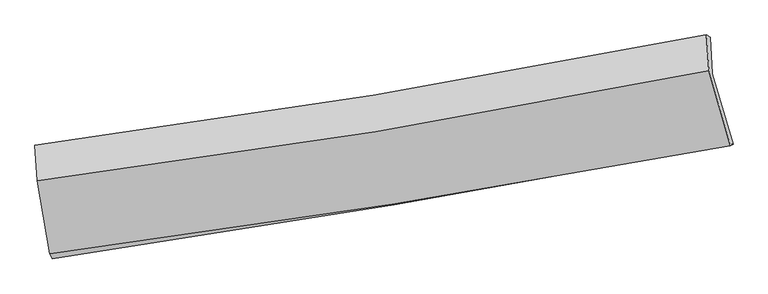
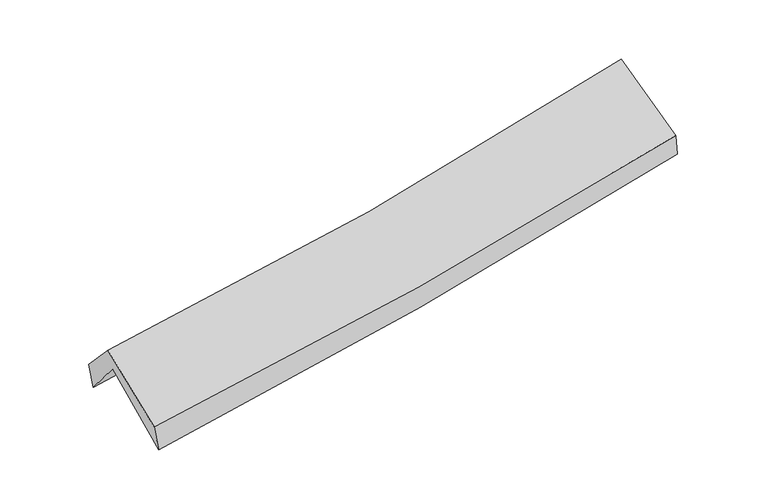
"""IFC4 building model written with IfcOpenShell, lengths in millimetres: proxy geometry."""

from ifc_helpers import new_model, si_unit, frame, origin, place, context, project, spatial, source, transform, mapped, element, save
from ifc_brep_helpers import plane_surface, spline_curve, spline_surface, advanced_brep


def generic_models_f9d31334(model_context):
    return source(origin(), model_context, "Body", "AdvancedBrep", [
        advanced_brep(
        [(-2317.3537515, -2475.6046019, 1481.26095), (-2408.75374, -1971.967616, 1925.3101237), (2332.1321185, -1171.4528945, 2359.1081574), (2480.5548689, -1669.8202298, 1929.6450218), (-2422.2286386, -1714.8815016, 1610.7393642), (2319.4389783, -914.0846775, 2040.2824771), (-2438.5855131, -1674.3028402, 1793.2026353), (2293.1520929, -898.0270046, 2235.8960062), (-2423.3640454, -1925.3696886, 2066.7724577), (2310.124379, -1152.2013323, 2513.2625223), (-2333.6405156, -2438.7092369, 1670.2365601), (2461.8785512, -1679.6528858, 2103.793421)],
        [
            (0, 1),
            (1, 2, spline_curve(3, [(-2408.75374, -1971.967616, 1925.3101237), (-1610.47221158, -1860.030192604, 1972.91229677), (-815.333173295, -1737.16887002, 2032.977812616), (764.932604088, -1470.228050555, 2177.694191813), (1550.088851742, -1326.25113273, 2262.228020694), (2332.1321185, -1171.4528945, 2359.1081574)], [4, 2, 4], [0.0, 7.987333830771779, 15.937077422452498])),
            (2, 3),
            (3, 0, spline_curve(3, [(2480.5548689, -1669.8202298, 1929.6450218), (1686.866522793, -1818.424719186, 1832.327909948), (891.144494689, -1959.734526788, 1746.365302326), (-708.139100773, -2228.398466251, 1596.796312016), (-1511.719946187, -2355.683449357, 1533.297562483), (-2317.3537515, -2475.6046019, 1481.26095)], [4, 2, 4], [0.0, 7.949743591680719, 15.937077422452498])),
            (1, 4),
            (4, 5, spline_curve(3, [(-2422.2286386, -1714.8815016, 1610.7393642), (-1623.975979523, -1602.969447183, 1659.054560819), (-828.785887425, -1480.097159578, 1719.119496078), (751.741226213, -1213.061964997, 1862.410867468), (1537.107006616, -1069.001977853, 1945.526969817), (2319.4389783, -914.0846775, 2040.2824771)], [4, 2, 4], [0.0, 7.940160617194444, 15.842953003343897])),
            (5, 2),
            (4, 6),
            (6, 7, spline_curve(3, [(-2438.5855131, -1674.3028402, 1793.2026353), (-1640.674853755, -1570.784166411, 1837.407796922), (-846.486767779, -1454.151736913, 1896.523592272), (730.724144778, -1195.26998302, 2044.228064644), (1513.781927315, -1053.143800291, 2132.676726367), (2293.1520929, -898.0270046, 2235.8960062)], [4, 2, 4], [0.0, 7.930595849751248, 15.823868482463764])),
            (7, 5),
            (6, 8),
            (8, 9, spline_curve(3, [(-2423.3640454, -1925.3696886, 2066.7724577), (-1625.113255699, -1823.525226552, 2112.84778865), (-830.608914844, -1707.98810826, 2173.214348264), (747.18537944, -1450.136744727, 2322.178569126), (1530.510513405, -1307.951077444, 2410.64203072), (2310.124379, -1152.2013323, 2513.2625223)], [4, 2, 4], [0.0, 7.922103982543703, 15.806924712738446])),
            (9, 7),
            (8, 10),
            (10, 11, spline_curve(3, [(-2333.6405156, -2438.7092369, 1670.2365601), (-1527.745611908, -2333.169433785, 1718.862559434), (-724.23459525, -2216.970557429, 1779.41858843), (874.249374816, -1963.851681601, 1924.049568627), (1669.24471387, -1827.03177428, 2008.012493534), (2461.8785512, -1679.6528858, 2103.793421)], [4, 2, 4], [0.0, 7.970131222930508, 15.902753166218435])),
            (11, 9),
            (10, 0),
            (3, 11),
        ],
        [
            spline_surface(3, 3, [[(-2317.3537515, -2475.6046019, 1481.26095), (-1511.719946216, -2355.683449406, 1533.297562431), (-708.139100803, -2228.3984662, 1596.796312002), (891.144494719, -1959.734526839, 1746.365302339), (1686.866522788, -1818.424719308, 1832.32791002), (2480.5548689, -1669.8202298, 1929.6450218)], [(-2347.820414355, -2307.725606628, 1629.277341236), (-1544.637367998, -2190.465697133, 1679.835807216), (-743.870458297, -2064.65526745, 1742.190145498), (849.073864458, -1796.565701426, 1890.141598815), (1641.273965815, -1654.366857096, 1975.627946885), (2431.080618776, -1503.6977847, 2072.79940034)], [(-2378.287077145, -2139.846611272, 1777.293732464), (-1577.554789716, -2025.247944776, 1826.374051992), (-779.60181572, -1900.912068712, 1887.58397908), (807.003234269, -1633.396876026, 2033.917895377), (1595.681408814, -1490.308994884, 2118.92798373), (2381.606368624, -1337.5753396, 2215.95377886)], [(-2408.75374, -1971.967616, 1925.3101237), (-1610.472211498, -1860.030192503, 1972.912296777), (-815.333173214, -1737.168869962, 2032.977812577), (764.932604008, -1470.228050613, 2177.694191852), (1550.088851842, -1326.251132673, 2262.228020595), (2332.1321185, -1171.4528945, 2359.1081574)]], [4, 4], [4, 2, 4], [0.0, 2.181764673146834], [0.0, 7.987333830771779, 15.937077422452498]),
            spline_surface(3, 3, [[(-2408.75374, -1971.967616, 1925.3101237), (-1610.472211498, -1860.030192503, 1972.912296777), (-815.333173214, -1737.168869962, 2032.977812577), (764.932604008, -1470.228050613, 2177.694191852), (1550.088851842, -1326.251132673, 2262.228020595), (2332.1321185, -1171.4528945, 2359.1081574)], [(-2413.245372847, -1886.272244515, 1820.453203847), (-1614.973467447, -1774.343277385, 1868.293051436), (-819.817411296, -1651.478299862, 1928.358373741), (760.535478128, -1384.506022051, 2072.59975039), (1545.761570131, -1240.50141436, 2156.661003656), (2327.901071758, -1085.663488816, 2252.832930633)], [(-2417.737005753, -1800.576873085, 1715.596284053), (-1619.474723455, -1688.656362322, 1763.673806152), (-824.301649438, -1565.787729755, 1823.738934911), (756.138352188, -1298.783993482, 1967.505308933), (1541.434288444, -1154.751696099, 2051.093986717), (2323.670025042, -999.874083184, 2146.557703867)], [(-2422.2286386, -1714.8815016, 1610.7393642), (-1623.975979404, -1602.969447205, 1659.054560811), (-828.78588752, -1480.097159655, 1719.119496075), (751.741226308, -1213.06196492, 1862.410867471), (1537.107006732, -1069.001977786, 1945.526969777), (2319.4389783, -914.0846775, 2040.2824771)]], [4, 4], [4, 2, 4], [0.0, 1.3336531476798363], [0.0, 7.940160617194444, 15.842953003343897]),
            spline_surface(3, 3, [[(-2422.2286386, -1714.8815016, 1610.7393642), (-1623.975979404, -1602.969447205, 1659.054560811), (-828.78588752, -1480.097159655, 1719.119496075), (751.741226308, -1213.06196492, 1862.410867471), (1537.107006732, -1069.001977786, 1945.526969777), (2319.4389783, -914.0846775, 2040.2824771)], [(-2427.680930121, -1701.355281125, 1671.56045459), (-1629.542270903, -1592.241020264, 1718.505639532), (-834.686180934, -1471.44868547, 1778.254194804), (744.735532465, -1207.131304272, 1923.016599896), (1529.33198026, -1063.715918671, 2007.910221958), (2310.676683151, -908.732119889, 2105.486986782)], [(-2433.133221579, -1687.829060675, 1732.38154491), (-1635.108562339, -1581.512593349, 1777.956718182), (-840.586474356, -1462.800211213, 1837.388893487), (737.729838612, -1201.200643554, 1983.622332275), (1521.556953836, -1058.429859489, 2070.293474192), (2301.914388049, -903.379562211, 2170.691496518)], [(-2438.5855131, -1674.3028402, 1793.2026353), (-1640.674853838, -1570.784166408, 1837.407796903), (-846.48676777, -1454.151737027, 1896.523592216), (730.724144769, -1195.269982906, 2044.2280647), (1513.781927364, -1053.143800374, 2132.676726372), (2293.1520929, -898.0270046, 2235.8960062)]], [4, 4], [4, 2, 4], [0.0, 0.5969849956033118], [0.0, 7.930595849751248, 15.823868482463764]),
            spline_surface(3, 3, [[(-2438.5855131, -1674.3028402, 1793.2026353), (-1640.674853838, -1570.784166408, 1837.407796903), (-846.48676777, -1454.151737027, 1896.523592216), (730.724144769, -1195.269982906, 2044.2280647), (1513.781927364, -1053.143800374, 2132.676726372), (2293.1520929, -898.0270046, 2235.8960062)], [(-2433.511690531, -1757.991789685, 1884.392576079), (-1635.487654474, -1655.031186503, 1929.221127438), (-841.194150179, -1538.763860817, 1988.753844255), (736.21122301, -1280.225570141, 2136.8782328), (1519.358122762, -1138.079559378, 2225.331827832), (2298.80952162, -982.751780478, 2328.351511568)], [(-2428.437867969, -1841.680739115, 1975.582516921), (-1630.300455118, -1739.278206543, 2021.034458036), (-835.901532538, -1623.375984597, 2080.984096322), (741.698301301, -1365.181157365, 2229.528400929), (1524.9343181, -1223.015318448, 2317.986929288), (2304.46695028, -1067.476556422, 2420.807016932)], [(-2423.3640454, -1925.3696886, 2066.7724577), (-1625.113255753, -1823.525226638, 2112.847788571), (-830.608914947, -1707.988108387, 2173.214348362), (747.185379542, -1450.1367446, 2322.178569029), (1530.510513498, -1307.951077452, 2410.642030748), (2310.124379, -1152.2013323, 2513.2625223)]], [4, 4], [4, 2, 4], [0.0, 1.2357054528684108], [0.0, 7.922103982543703, 15.806924712738446]),
            spline_surface(3, 3, [[(-2423.3640454, -1925.3696886, 2066.7724577), (-1625.113255753, -1823.525226638, 2112.847788571), (-830.608914947, -1707.988108387, 2173.214348362), (747.185379542, -1450.1367446, 2322.178569029), (1530.510513498, -1307.951077452, 2410.642030748), (2310.124379, -1152.2013323, 2513.2625223)], [(-2393.456202143, -2096.482871344, 1934.593825169), (-1592.657374507, -1993.406628959, 1981.519378894), (-795.150808397, -1877.648924699, 2041.949095029), (789.540044653, -1621.375056938, 2189.468902256), (1576.755246904, -1480.977976392, 2276.432184992), (2360.709103054, -1328.018516824, 2376.772821853)], [(-2363.548358857, -2267.596054156, 1802.415192631), (-1560.201493231, -2163.288031348, 1850.190969209), (-759.692701853, -2047.309741057, 1910.683841687), (831.894709757, -1792.613369322, 2056.759235474), (1622.999980348, -1654.004875259, 2142.222339277), (2411.293827146, -1503.835701276, 2240.283121447)], [(-2333.6405156, -2438.7092369, 1670.2365601), (-1527.745611985, -2333.169433668, 1718.862559532), (-724.234595302, -2216.970557369, 1779.418588355), (874.249374868, -1963.85168166, 1924.049568702), (1669.244713753, -1827.0317742, 2008.012493521), (2461.8785512, -1679.6528858, 2103.793421)]], [4, 4], [4, 2, 4], [0.0, 2.156029200332569], [0.0, 7.970131222930508, 15.902753166218435]),
            spline_surface(3, 3, [[(-2333.6405156, -2438.7092369, 1670.2365601), (-1527.745611985, -2333.169433668, 1718.862559532), (-724.234595302, -2216.970557369, 1779.418588355), (874.249374868, -1963.85168166, 1924.049568702), (1669.244713753, -1827.0317742, 2008.012493521), (2461.8785512, -1679.6528858, 2103.793421)], [(-2328.211594203, -2451.007691903, 1607.244690078), (-1522.403723365, -2340.674105584, 1657.00756051), (-718.869430454, -2220.779860303, 1718.544496258), (879.8810815, -1962.47929671, 1864.821479935), (1675.118650105, -1824.162755894, 1949.450965711), (2468.10399044, -1676.375333792, 2045.743954623)], [(-2322.782672897, -2463.306146897, 1544.252820022), (-1517.061834836, -2348.17877749, 1595.152561454), (-713.504265651, -2224.589163267, 1657.670404099), (885.512788087, -1961.10691179, 1805.593391106), (1680.992586436, -1821.293737613, 1890.88943783), (2474.32942966, -1673.097781808, 1987.694488177)], [(-2317.3537515, -2475.6046019, 1481.26095), (-1511.719946216, -2355.683449406, 1533.297562431), (-708.139100803, -2228.3984662, 1596.796312002), (891.144494719, -1959.734526839, 1746.365302339), (1686.866522788, -1818.424719308, 1832.32791002), (2480.5548689, -1669.8202298, 1929.6450218)]], [4, 4], [4, 2, 4], [0.0, 0.5936875860478458], [0.0, 8.025812225918317, 16.013853124524644]),
            plane_surface(frame((2366.2134982, -1247.5398374, 2196.9979343), z_axis=(0.9748046046251517, 0.19093657604361766, 0.1153221866352762), x_axis=(0.22161583798355566, -0.7702695509169638, -0.5979726074704638))),
            plane_surface(frame((-2390.6543674, -2033.4725809, 1757.9203485), z_axis=(-0.9901493967491383, -0.12617237103258644, -0.06070177019933711), x_axis=(-0.08428639758963517, 0.19093893470266282, 0.9779765469559965))),
        ],
        [
            (0, [[1, 2, 3, 4]]),
            (1, [[5, 6, 7, -2]]),
            (2, [[8, 9, 10, -6]]),
            (3, [[11, 12, 13, -9]]),
            (4, [[14, 15, 16, -12]]),
            (5, [[17, -4, 18, -15]]),
            (6, [[-16, -18, -3, -7, -10, -13]]),
            (7, [[-17, -14, -11, -8, -5, -1]]),
        ],
    ),
    ])


if __name__ == "__main__":
    model = new_model("IFC4")
    model_context = context("Model", 3, world=origin())
    ifc_project = project(units=[si_unit("LENGTHUNIT", "METRE", prefix="MILLI")], contexts=[model_context])
    site = spatial("IfcSite", under=ifc_project)
    building = spatial("IfcBuilding", under=site)
    placement = place(None, origin())
    generic_models_shape = generic_models_f9d31334(model_context)
    element("IfcBuildingElementProxy", 1, Name="Generic Models", at=placement, inside=building, context=model_context, shape_type="MappedRepresentation", body=[
        mapped(generic_models_shape, transform((0.0, 0.0, 0.0), x_axis=(1.0, 0.0, 0.0), y_axis=(0.0, 1.0, 0.0), z_axis=(0.0, 0.0, 1.0))),
    ])
    save(model, "model.ifc")
